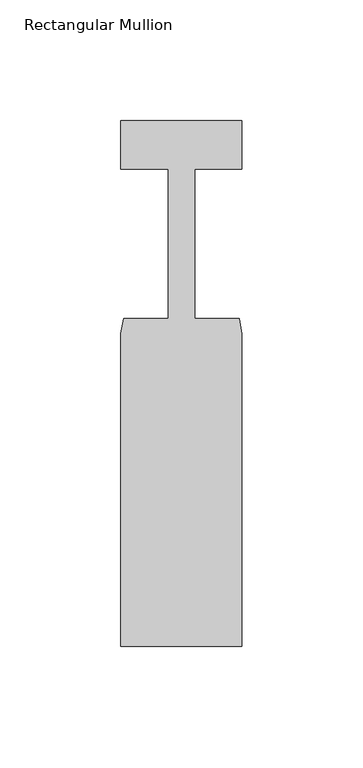
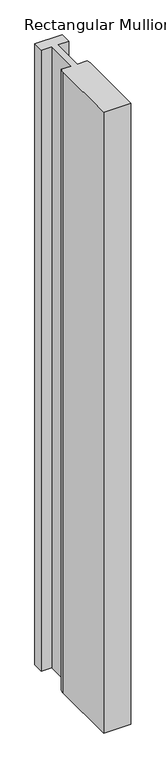
"""IFC4 building model written with IfcOpenShell, lengths in millimetres: member geometry, Rectangular Mullion."""

from ifc_helpers import new_model, si_unit, frame, origin, place, context, project, spatial, polyline, outline, extrude, source, transform, mapped, element, save


def rectangular_mullion_59d2bbc3(model_context):
    return source(origin(), model_context, "Body", "SweptSolid", [
        extrude(outline(polyline([(0.0, -161.3), (-50.0, -161.3), (-50.0, -32.0), (-48.9, -25.8), (-30.4999999, -25.8), (-30.4999999, 36.0), (-50.0, 36.0), (-50.0, 56.0), (0.0, 56.0), (0.0, 36.0), (-19.5, 36.0), (-19.5, -25.8), (-1.1, -25.8), (0.0, -32.0), (0.0, -161.3)])), frame((0.0, 0.0, -1200.0), z_axis=(0.0, 0.0, 1.0), x_axis=(1.0, 0.0, 0.0)), (0.0, 0.0, 1.0), 1200.0),
    ])


if __name__ == "__main__":
    model = new_model("IFC4")
    model_context = context("Model", 3, world=origin())
    ifc_project = project(units=[si_unit("LENGTHUNIT", "METRE", prefix="MILLI")], contexts=[model_context])
    site = spatial("IfcSite", under=ifc_project)
    building = spatial("IfcBuilding", under=site)
    placement = place(None, origin())
    rectangular_mullion_shape = rectangular_mullion_59d2bbc3(model_context)
    element("IfcMember", 1, ObjectType="Rectangular Mullion", at=placement, inside=building, context=model_context, shape_type="MappedRepresentation", body=[
        mapped(rectangular_mullion_shape, transform((0.0, 0.0, 0.0), x_axis=(1.0, 0.0, 0.0), y_axis=(0.0, 1.0, 0.0), z_axis=(0.0, 0.0, 1.0))),
    ])
    save(model, "model.ifc")
